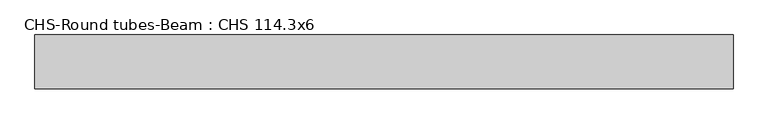
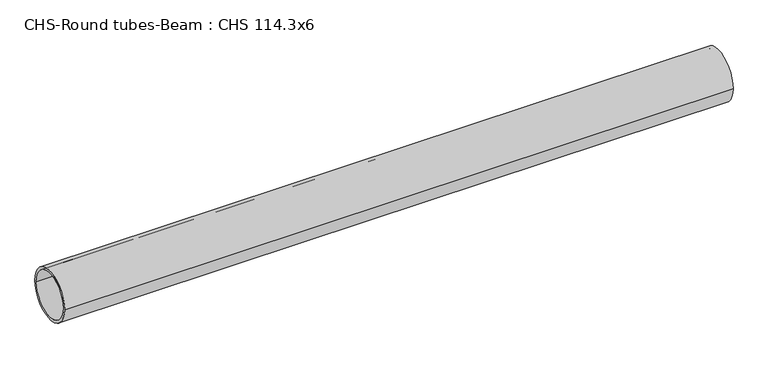
"""IFC4 building model written with IfcOpenShell, lengths in millimetres: beam geometry, CHS-Round tubes-Beam : CHS 114.3x6."""

from ifc_helpers import new_model, si_unit, point, frame, origin, origin_2d, place, context, project, spatial, circle_curve, trimmed, segment, composite_curve, outline, extrude, source, transform, mapped, element, save


def chs_round_tubes_beam_chs_114_3x6_4fc6b617(model_context):
    return source(origin(), model_context, "Body", "SweptSolid", [
        extrude(outline(composite_curve([segment(trimmed(circle_curve(origin_2d(), 57.15), [point((57.15, 0.0))], [point((-57.15, 0.0))], False, "CARTESIAN"), True, "CONTINUOUS"), segment(trimmed(circle_curve(origin_2d(), 57.15), [point((-57.15, 0.0))], [point((57.15, 0.0))], False, "CARTESIAN"), True, "CONTINUOUS")], self_intersect=False), holes=[composite_curve([segment(trimmed(circle_curve(origin_2d(), 51.15), [point((51.15, 0.0))], [point((-51.15, 0.0))], True, "CARTESIAN"), True, "CONTINUOUS"), segment(trimmed(circle_curve(origin_2d(), 51.15), [point((-51.15, 0.0))], [point((51.15, 0.0))], True, "CARTESIAN"), True, "CONTINUOUS")], self_intersect=False)]), frame((-757.6949458, 0.0, 0.0), z_axis=(1.0, 0.0, 0.0), x_axis=(0.0, 1.0, 0.0)), (0.0, 0.0, 1.0), 1486.5092849),
    ])


if __name__ == "__main__":
    model = new_model("IFC4")
    model_context = context("Model", 3, world=origin())
    ifc_project = project(units=[si_unit("LENGTHUNIT", "METRE", prefix="MILLI")], contexts=[model_context])
    site = spatial("IfcSite", under=ifc_project)
    building = spatial("IfcBuilding", under=site)
    placement = place(None, origin())
    chs_round_tubes_beam_chs_114_3x6_shape = chs_round_tubes_beam_chs_114_3x6_4fc6b617(model_context)
    element("IfcBeam", 1, ObjectType="CHS-Round tubes-Beam : CHS 114.3x6", at=placement, inside=building, context=model_context, shape_type="MappedRepresentation", body=[
        mapped(chs_round_tubes_beam_chs_114_3x6_shape, transform((0.0, 0.0, 0.0), x_axis=(1.0, 0.0, 0.0), y_axis=(0.0, 1.0, 0.0), z_axis=(0.0, 0.0, 1.0))),
    ])
    save(model, "model.ifc")
